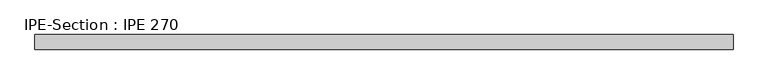
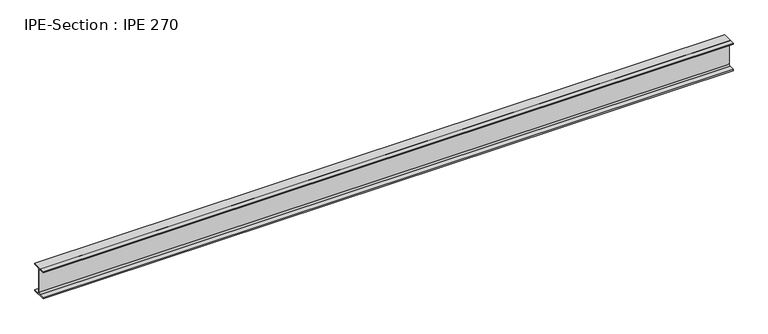
"""IFC4 building model written with IfcOpenShell, lengths in millimetres: beam geometry, IPE-Section : IPE 270."""

from ifc_helpers import new_model, si_unit, point, frame, frame_2d, origin, place, context, project, spatial, polyline, circle_curve, trimmed, segment, composite_curve, outline, extrude, source, transform, mapped, element, save


def ipe_section_ipe_270_f457f441(model_context):
    return source(origin(), model_context, "Body", "SweptSolid", [
        extrude(outline(composite_curve([segment(polyline([(-67.5, -124.8), (-18.3, -124.8)]), True, "CONTINUOUS"), segment(trimmed(circle_curve(frame_2d((-18.3, -109.8)), 15.0), [point((-18.3, -124.8))], [point((-3.3, -109.8))], True, "CARTESIAN"), True, "CONTINUOUS"), segment(polyline([(-3.3, -109.8), (-3.3, 109.8)]), True, "CONTINUOUS"), segment(trimmed(circle_curve(frame_2d((-18.3, 109.8)), 15.0), [point((-3.3, 109.8))], [point((-18.3, 124.8))], True, "CARTESIAN"), True, "CONTINUOUS"), segment(polyline([(-18.3, 124.8), (-67.5, 124.8), (-67.5, 135.0), (67.5, 135.0), (67.5, 124.8), (18.3, 124.8)]), True, "CONTINUOUS"), segment(trimmed(circle_curve(frame_2d((18.3, 109.8)), 15.0), [point((18.3, 124.8))], [point((3.3, 109.8))], True, "CARTESIAN"), True, "CONTINUOUS"), segment(polyline([(3.3, 109.8), (3.3, -109.8)]), True, "CONTINUOUS"), segment(trimmed(circle_curve(frame_2d((18.3, -109.8)), 15.0), [point((3.3, -109.8))], [point((18.3, -124.8))], True, "CARTESIAN"), True, "CONTINUOUS"), segment(polyline([(18.3, -124.8), (67.5, -124.8), (67.5, -135.0), (-67.5, -135.0), (-67.5, -124.8)]), True, "CONTINUOUS")], self_intersect=False)), frame((-3221.0768137, 0.0, 0.0), z_axis=(1.0, 0.0, 0.0), x_axis=(0.0, 1.0, 0.0)), (0.0, 0.0, 1.0), 6450.7101707),
    ])


if __name__ == "__main__":
    model = new_model("IFC4")
    model_context = context("Model", 3, world=origin())
    ifc_project = project(units=[si_unit("LENGTHUNIT", "METRE", prefix="MILLI")], contexts=[model_context])
    site = spatial("IfcSite", under=ifc_project)
    building = spatial("IfcBuilding", under=site)
    placement = place(None, origin())
    ipe_section_ipe_270_shape = ipe_section_ipe_270_f457f441(model_context)
    element("IfcBeam", 1, ObjectType="IPE-Section : IPE 270", at=placement, inside=building, context=model_context, shape_type="MappedRepresentation", body=[
        mapped(ipe_section_ipe_270_shape, transform((0.0, 0.0, 0.0), x_axis=(1.0, 0.0, 0.0), y_axis=(0.0, 1.0, 0.0), z_axis=(0.0, 0.0, 1.0))),
    ])
    save(model, "model.ifc")
